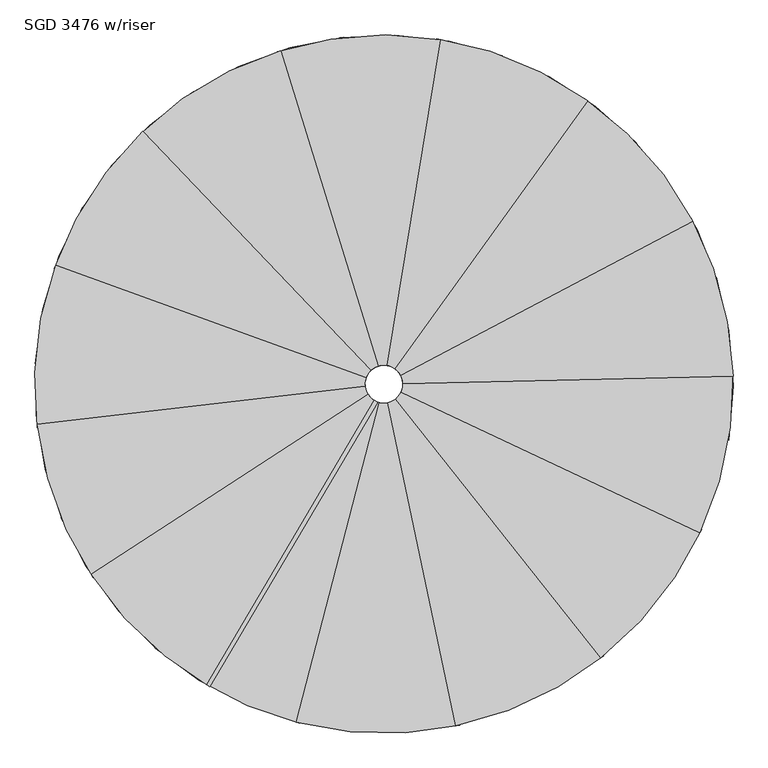
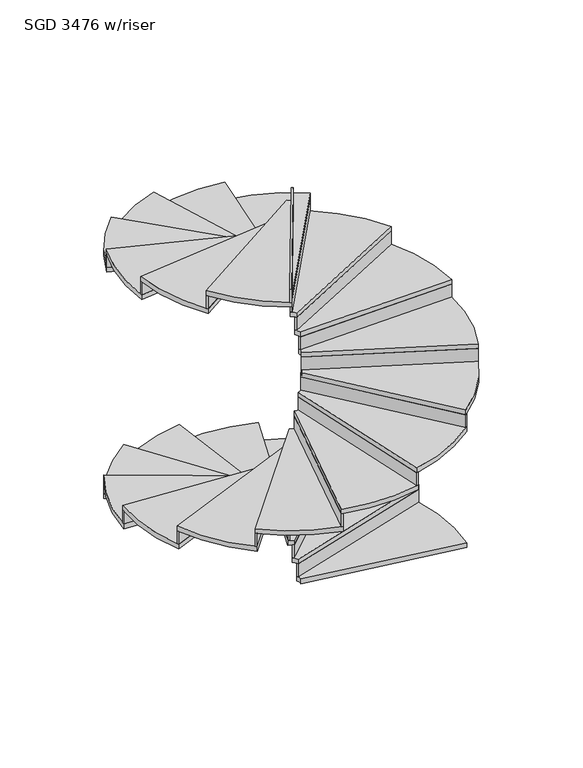
"""IFC4 building model written with IfcOpenShell, lengths in millimetres: stair flight geometry, SGD 3476 w/riser."""

from ifc_helpers import new_model, si_unit, point, frame, frame_2d, origin, place, context, project, spatial, polyline, circle_curve, trimmed, segment, composite_curve, outline, extrude, source, transform, mapped, element, save


def sgd_3476_w_riser_6065d927(model_context):
    return source(origin(), model_context, "Body", "SweptSolid", [
        extrude(outline(composite_curve([segment(polyline([(3636.6758202, -1031.0334126), (4685.707401, -705.6711049)]), True, "CONTINUOUS"), segment(trimmed(circle_curve(frame_2d((3581.4097537, -1061.261878)), 1160.1371004), [point((4685.707401, -705.6711049))], [point((4726.5078082, -1247.4567685))], False, "CARTESIAN"), True, "CONTINUOUS"), segment(polyline([(4726.5078082, -1247.4567685), (3643.5860099, -1071.371843)]), True, "CONTINUOUS"), segment(trimmed(circle_curve(frame_2d((3581.4097537, -1061.261878)), 62.9928427), [point((3643.5860099, -1071.371843))], [point((3636.6758202, -1031.0334126))], True, "CARTESIAN"), True, "CONTINUOUS")], self_intersect=False)), frame((0.0, 0.0, -4708.5154589), z_axis=(0.0, 0.0, 1.0), x_axis=(1.0, 0.0, 0.0)), (0.0, 0.0, 1.0), 35.0),
        extrude(outline(composite_curve([segment(trimmed(circle_curve(frame_2d((3581.4097537, -1061.261878)), 1160.1371004), [point((3003.534912, -2067.2334278))], [point((2992.7295266, -2060.9486699))], False, "CARTESIAN"), True, "CONTINUOUS"), segment(polyline([(2992.7295266, -2060.9486699), (3549.4457376, -1115.5426288)]), True, "CONTINUOUS"), segment(trimmed(circle_curve(frame_2d((3581.4097537, -1061.261878)), 62.9928427), [point((3549.4457376, -1115.5426288))], [point((3560.8525879, -1120.8059891))], True, "CARTESIAN"), True, "CONTINUOUS"), segment(polyline([(3560.8525879, -1120.8059891), (3003.534912, -2067.2334278)]), True, "CONTINUOUS")], self_intersect=False)), frame((0.0, 0.0, -1758.0371981), z_axis=(0.0, 0.0, 1.0), x_axis=(1.0, 0.0, 0.0)), (0.0, 0.0, 1.0), 97.5217391),
        extrude(outline(composite_curve([segment(trimmed(circle_curve(frame_2d((3581.4097537, -1061.261878)), 1160.1371004), [point((4685.707401, -705.6711049))], [point((4689.4746435, -717.590099))], False, "CARTESIAN"), True, "CONTINUOUS"), segment(polyline([(4689.4746435, -717.590099), (3641.5751921, -1042.6012711)]), True, "CONTINUOUS"), segment(trimmed(circle_curve(frame_2d((3581.4097537, -1061.261878)), 62.9928427), [point((3641.5751921, -1042.6012711))], [point((3636.6758202, -1031.0334126))], True, "CARTESIAN"), True, "CONTINUOUS"), segment(polyline([(3636.6758202, -1031.0334126), (4685.707401, -705.6711049)]), True, "CONTINUOUS")], self_intersect=False)), frame((0.0, 0.0, -4673.5154589), z_axis=(0.0, 0.0, 1.0), x_axis=(1.0, 0.0, 0.0)), (0.0, 0.0, 1.0), 97.5217391),
        extrude(outline(composite_curve([segment(polyline([(3617.4110709, -1009.5704533), (4411.4854085, -250.7728288)]), True, "CONTINUOUS"), segment(trimmed(circle_curve(frame_2d((3581.4097537, -1061.261878)), 1160.1371004), [point((4411.4854085, -250.7728288))], [point((4689.4746435, -717.590099))], False, "CARTESIAN"), True, "CONTINUOUS"), segment(polyline([(4689.4746435, -717.590099), (3641.5751921, -1042.6012711)]), True, "CONTINUOUS"), segment(trimmed(circle_curve(frame_2d((3581.4097537, -1061.261878)), 62.9928427), [point((3641.5751921, -1042.6012711))], [point((3617.4110709, -1009.5704533))], True, "CARTESIAN"), True, "CONTINUOUS")], self_intersect=False)), frame((0.0, 0.0, -4575.9937198), z_axis=(0.0, 0.0, 1.0), x_axis=(1.0, 0.0, 0.0)), (0.0, 0.0, 1.0), 35.0),
        extrude(outline(composite_curve([segment(trimmed(circle_curve(frame_2d((3581.4097537, -1061.261878)), 1160.1371004), [point((4411.4854085, -250.7728288))], [point((4420.1699108, -259.7635994))], False, "CARTESIAN"), True, "CONTINUOUS"), segment(polyline([(4420.1699108, -259.7635994), (3626.9525491, -1017.742319)]), True, "CONTINUOUS"), segment(trimmed(circle_curve(frame_2d((3581.4097537, -1061.261878)), 62.9928427), [point((3626.9525491, -1017.742319))], [point((3617.4110709, -1009.5704533))], True, "CARTESIAN"), True, "CONTINUOUS"), segment(polyline([(3617.4110709, -1009.5704533), (4411.4854085, -250.7728288)]), True, "CONTINUOUS")], self_intersect=False)), frame((0.0, 0.0, -4540.9937198), z_axis=(0.0, 0.0, 1.0), x_axis=(1.0, 0.0, 0.0)), (0.0, 0.0, 1.0), 97.5217391),
        extrude(outline(composite_curve([segment(polyline([(3590.5997577, -998.943004), (3963.2637021, 34.2314601)]), True, "CONTINUOUS"), segment(trimmed(circle_curve(frame_2d((3581.4097537, -1061.261878)), 1160.1371004), [point((3963.2637021, 34.2314601))], [point((4420.1699108, -259.7635994))], False, "CARTESIAN"), True, "CONTINUOUS"), segment(polyline([(4420.1699108, -259.7635994), (3626.9525491, -1017.742319)]), True, "CONTINUOUS"), segment(trimmed(circle_curve(frame_2d((3581.4097537, -1061.261878)), 62.9928427), [point((3626.9525491, -1017.742319))], [point((3590.5997577, -998.943004))], True, "CARTESIAN"), True, "CONTINUOUS")], self_intersect=False)), frame((0.0, 0.0, -4443.4719807), z_axis=(0.0, 0.0, 1.0), x_axis=(1.0, 0.0, 0.0)), (0.0, 0.0, 1.0), 35.0),
        extrude(outline(composite_curve([segment(trimmed(circle_curve(frame_2d((3581.4097537, -1061.261878)), 1160.1371004), [point((3963.2637021, 34.2314601))], [point((3975.0450265, 30.0535502))], False, "CARTESIAN"), True, "CONTINUOUS"), segment(polyline([(3975.0450265, 30.0535502), (3602.7832662, -1002.0058977)]), True, "CONTINUOUS"), segment(trimmed(circle_curve(frame_2d((3581.4097537, -1061.261878)), 62.9928427), [point((3602.7832662, -1002.0058977))], [point((3590.5997577, -998.943004))], True, "CARTESIAN"), True, "CONTINUOUS"), segment(polyline([(3590.5997577, -998.943004), (3963.2637021, 34.2314601)]), True, "CONTINUOUS")], self_intersect=False)), frame((0.0, 0.0, -4408.4719807), z_axis=(0.0, 0.0, 1.0), x_axis=(1.0, 0.0, 0.0)), (0.0, 0.0, 1.0), 97.5217391),
        extrude(outline(composite_curve([segment(polyline([(3561.8620442, -1001.3787812), (3434.9981136, 89.5994183)]), True, "CONTINUOUS"), segment(trimmed(circle_curve(frame_2d((3581.4097537, -1061.261878)), 1160.1371004), [point((3434.9981136, 89.5994183))], [point((3975.0450265, 30.0535502))], False, "CARTESIAN"), True, "CONTINUOUS"), segment(polyline([(3975.0450265, 30.0535502), (3602.7832662, -1002.0058977)]), True, "CONTINUOUS"), segment(trimmed(circle_curve(frame_2d((3581.4097537, -1061.261878)), 62.9928427), [point((3602.7832662, -1002.0058977))], [point((3561.8620442, -1001.3787812))], True, "CARTESIAN"), True, "CONTINUOUS")], self_intersect=False)), frame((0.0, 0.0, -4310.9502415), z_axis=(0.0, 0.0, 1.0), x_axis=(1.0, 0.0, 0.0)), (0.0, 0.0, 1.0), 35.0),
        extrude(outline(composite_curve([segment(trimmed(circle_curve(frame_2d((3581.4097537, -1061.261878)), 1160.1371004), [point((3434.9981136, 89.5994183))], [point((3447.4066695, 91.1101388))], False, "CARTESIAN"), True, "CONTINUOUS"), segment(polyline([(3447.4066695, 91.1101388), (3574.1336867, -998.6906619)]), True, "CONTINUOUS"), segment(trimmed(circle_curve(frame_2d((3581.4097537, -1061.261878)), 62.9928427), [point((3574.1336867, -998.6906619))], [point((3561.8620442, -1001.3787812))], True, "CARTESIAN"), True, "CONTINUOUS"), segment(polyline([(3561.8620442, -1001.3787812), (3434.9981136, 89.5994183)]), True, "CONTINUOUS")], self_intersect=False)), frame((0.0, 0.0, -4275.9502415), z_axis=(0.0, 0.0, 1.0), x_axis=(1.0, 0.0, 0.0)), (0.0, 0.0, 1.0), 97.5217391),
        extrude(outline(composite_curve([segment(polyline([(3537.2219039, -1016.3671994), (2937.4232018, -96.2751357)]), True, "CONTINUOUS"), segment(trimmed(circle_curve(frame_2d((3581.4097537, -1061.261878)), 1160.1371004), [point((2937.4232018, -96.2751357))], [point((3447.4066695, 91.1101388))], False, "CARTESIAN"), True, "CONTINUOUS"), segment(polyline([(3447.4066695, 91.1101388), (3574.1336867, -998.6906619)]), True, "CONTINUOUS"), segment(trimmed(circle_curve(frame_2d((3581.4097537, -1061.261878)), 62.9928427), [point((3574.1336867, -998.6906619))], [point((3537.2219039, -1016.3671994))], True, "CARTESIAN"), True, "CONTINUOUS")], self_intersect=False)), frame((0.0, 0.0, -4178.4285024), z_axis=(0.0, 0.0, 1.0), x_axis=(1.0, 0.0, 0.0)), (0.0, 0.0, 1.0), 35.0),
        extrude(outline(composite_curve([segment(trimmed(circle_curve(frame_2d((3581.4097537, -1061.261878)), 1160.1371004), [point((2937.4232018, -96.2751357))], [point((2947.8579188, -89.3924607))], False, "CARTESIAN"), True, "CONTINUOUS"), segment(polyline([(2947.8579188, -89.3924607), (3547.0093099, -1008.4915482)]), True, "CONTINUOUS"), segment(trimmed(circle_curve(frame_2d((3581.4097537, -1061.261878)), 62.9928427), [point((3547.0093099, -1008.4915482))], [point((3537.2219039, -1016.3671994))], True, "CARTESIAN"), True, "CONTINUOUS"), segment(polyline([(3537.2219039, -1016.3671994), (2937.4232018, -96.2751357)]), True, "CONTINUOUS")], self_intersect=False)), frame((0.0, 0.0, -4143.4285024), z_axis=(0.0, 0.0, 1.0), x_axis=(1.0, 0.0, 0.0)), (0.0, 0.0, 1.0), 97.5217391),
        extrude(outline(composite_curve([segment(polyline([(3521.8443811, -1040.7663998), (2574.8401731, -484.4293449)]), True, "CONTINUOUS"), segment(trimmed(circle_curve(frame_2d((3581.4097537, -1061.261878)), 1160.1371004), [point((2574.8401731, -484.4293449))], [point((2947.8579188, -89.3924607))], False, "CARTESIAN"), True, "CONTINUOUS"), segment(polyline([(2947.8579188, -89.3924607), (3547.0093099, -1008.4915482)]), True, "CONTINUOUS"), segment(trimmed(circle_curve(frame_2d((3581.4097537, -1061.261878)), 62.9928427), [point((3547.0093099, -1008.4915482))], [point((3521.8443811, -1040.7663998))], True, "CARTESIAN"), True, "CONTINUOUS")], self_intersect=False)), frame((0.0, 0.0, -4045.9067633), z_axis=(0.0, 0.0, 1.0), x_axis=(1.0, 0.0, 0.0)), (0.0, 0.0, 1.0), 35.0),
        extrude(outline(composite_curve([segment(trimmed(circle_curve(frame_2d((3581.4097537, -1061.261878)), 1160.1371004), [point((2574.8401731, -484.4293449))], [point((2581.1137353, -473.6174555))], False, "CARTESIAN"), True, "CONTINUOUS"), segment(polyline([(2581.1137353, -473.6174555), (3527.0959232, -1029.3541038)]), True, "CONTINUOUS"), segment(trimmed(circle_curve(frame_2d((3581.4097537, -1061.261878)), 62.9928427), [point((3527.0959232, -1029.3541038))], [point((3521.8443811, -1040.7663998))], True, "CARTESIAN"), True, "CONTINUOUS"), segment(polyline([(3521.8443811, -1040.7663998), (2574.8401731, -484.4293449)]), True, "CONTINUOUS")], self_intersect=False)), frame((0.0, 0.0, -4010.9067633), z_axis=(0.0, 0.0, 1.0), x_axis=(1.0, 0.0, 0.0)), (0.0, 0.0, 1.0), 97.5217391),
        extrude(outline(composite_curve([segment(polyline([(3518.9528982, -1069.461844), (2423.2533568, -993.4986721)]), True, "CONTINUOUS"), segment(trimmed(circle_curve(frame_2d((3581.4097537, -1061.261878)), 1160.1371004), [point((2423.2533568, -993.4986721))], [point((2581.1137353, -473.6174555))], False, "CARTESIAN"), True, "CONTINUOUS"), segment(polyline([(2581.1137353, -473.6174555), (3527.0959232, -1029.3541038)]), True, "CONTINUOUS"), segment(trimmed(circle_curve(frame_2d((3581.4097537, -1061.261878)), 62.9928427), [point((3527.0959232, -1029.3541038))], [point((3518.9528982, -1069.461844))], True, "CARTESIAN"), True, "CONTINUOUS")], self_intersect=False)), frame((0.0, 0.0, -3913.3850242), z_axis=(0.0, 0.0, 1.0), x_axis=(1.0, 0.0, 0.0)), (0.0, 0.0, 1.0), 35.0),
        extrude(outline(composite_curve([segment(trimmed(circle_curve(frame_2d((3581.4097537, -1061.261878)), 1160.1371004), [point((2423.2533568, -993.4986721))], [point((2424.0507056, -981.0239469))], False, "CARTESIAN"), True, "CONTINUOUS"), segment(polyline([(2424.0507056, -981.0239469), (3518.567753, -1056.9051383)]), True, "CONTINUOUS"), segment(trimmed(circle_curve(frame_2d((3581.4097537, -1061.261878)), 62.9928427), [point((3518.567753, -1056.9051383))], [point((3518.9528982, -1069.461844))], True, "CARTESIAN"), True, "CONTINUOUS"), segment(polyline([(3518.9528982, -1069.461844), (2423.2533568, -993.4986721)]), True, "CONTINUOUS")], self_intersect=False)), frame((0.0, 0.0, -3878.3850242), z_axis=(0.0, 0.0, 1.0), x_axis=(1.0, 0.0, 0.0)), (0.0, 0.0, 1.0), 97.5217391),
        extrude(outline(composite_curve([segment(polyline([(3529.1535654, -1096.4384187), (2514.4382452, -1516.7724617)]), True, "CONTINUOUS"), segment(trimmed(circle_curve(frame_2d((3581.4097537, -1061.261878)), 1160.1371004), [point((2514.4382452, -1516.7724617))], [point((2424.0507056, -981.0239469))], False, "CARTESIAN"), True, "CONTINUOUS"), segment(polyline([(2424.0507056, -981.0239469), (3518.567753, -1056.9051383)]), True, "CONTINUOUS"), segment(trimmed(circle_curve(frame_2d((3581.4097537, -1061.261878)), 62.9928427), [point((3518.567753, -1056.9051383))], [point((3529.1535654, -1096.4384187))], True, "CARTESIAN"), True, "CONTINUOUS")], self_intersect=False)), frame((0.0, 0.0, -3780.863285), z_axis=(0.0, 0.0, 1.0), x_axis=(1.0, 0.0, 0.0)), (0.0, 0.0, 1.0), 35.0),
        extrude(outline(composite_curve([segment(trimmed(circle_curve(frame_2d((3581.4097537, -1061.261878)), 1160.1371004), [point((2514.4382452, -1516.7724617))], [point((2509.5922412, -1505.2498414))], False, "CARTESIAN"), True, "CONTINUOUS"), segment(polyline([(2509.5922412, -1505.2498414), (3523.2124665, -1085.3694287)]), True, "CONTINUOUS"), segment(trimmed(circle_curve(frame_2d((3581.4097537, -1061.261878)), 62.9928427), [point((3523.2124665, -1085.3694287))], [point((3529.1535654, -1096.4384187))], True, "CARTESIAN"), True, "CONTINUOUS"), segment(polyline([(3529.1535654, -1096.4384187), (2514.4382452, -1516.7724617)]), True, "CONTINUOUS")], self_intersect=False)), frame((0.0, 0.0, -3745.863285), z_axis=(0.0, 0.0, 1.0), x_axis=(1.0, 0.0, 0.0)), (0.0, 0.0, 1.0), 97.5217391),
        extrude(outline(composite_curve([segment(polyline([(3550.3081278, -1116.0413185), (2829.2807439, -1944.5625315)]), True, "CONTINUOUS"), segment(trimmed(circle_curve(frame_2d((3581.4097537, -1061.261878)), 1160.1371004), [point((2829.2807439, -1944.5625315))], [point((2509.5922412, -1505.2498414))], False, "CARTESIAN"), True, "CONTINUOUS"), segment(polyline([(2509.5922412, -1505.2498414), (3523.2124665, -1085.3694287)]), True, "CONTINUOUS"), segment(trimmed(circle_curve(frame_2d((3581.4097537, -1061.261878)), 62.9928427), [point((3523.2124665, -1085.3694287))], [point((3550.3081278, -1116.0413185))], True, "CARTESIAN"), True, "CONTINUOUS")], self_intersect=False)), frame((0.0, 0.0, -3648.3415459), z_axis=(0.0, 0.0, 1.0), x_axis=(1.0, 0.0, 0.0)), (0.0, 0.0, 1.0), 35.0),
        extrude(outline(composite_curve([segment(trimmed(circle_curve(frame_2d((3581.4097537, -1061.261878)), 1160.1371004), [point((2829.2807439, -1944.5625315))], [point((2819.807202, -1936.4073773))], False, "CARTESIAN"), True, "CONTINUOUS"), segment(polyline([(2819.807202, -1936.4073773), (3540.0564432, -1108.7803159)]), True, "CONTINUOUS"), segment(trimmed(circle_curve(frame_2d((3581.4097537, -1061.261878)), 62.9928427), [point((3540.0564432, -1108.7803159))], [point((3550.3081278, -1116.0413185))], True, "CARTESIAN"), True, "CONTINUOUS"), segment(polyline([(3550.3081278, -1116.0413185), (2829.2807439, -1944.5625315)]), True, "CONTINUOUS")], self_intersect=False)), frame((0.0, 0.0, -3613.3415459), z_axis=(0.0, 0.0, 1.0), x_axis=(1.0, 0.0, 0.0)), (0.0, 0.0, 1.0), 97.5217391),
        extrude(outline(composite_curve([segment(polyline([(3577.9821851, -1124.1614011), (3301.7838508, -2187.1959108)]), True, "CONTINUOUS"), segment(trimmed(circle_curve(frame_2d((3581.4097537, -1061.261878)), 1160.1371004), [point((3301.7838508, -2187.1959108))], [point((2819.807202, -1936.4073773))], False, "CARTESIAN"), True, "CONTINUOUS"), segment(polyline([(2819.807202, -1936.4073773), (3540.0564432, -1108.7803159)]), True, "CONTINUOUS"), segment(trimmed(circle_curve(frame_2d((3581.4097537, -1061.261878)), 62.9928427), [point((3540.0564432, -1108.7803159))], [point((3577.9821851, -1124.1614011))], True, "CARTESIAN"), True, "CONTINUOUS")], self_intersect=False)), frame((0.0, 0.0, -3515.8198068), z_axis=(0.0, 0.0, 1.0), x_axis=(1.0, 0.0, 0.0)), (0.0, 0.0, 1.0), 35.0),
        extrude(outline(composite_curve([segment(trimmed(circle_curve(frame_2d((3581.4097537, -1061.261878)), 1160.1371004), [point((3301.7838508, -2187.1959108))], [point((3289.6686064, -2184.117699))], False, "CARTESIAN"), True, "CONTINUOUS"), segment(polyline([(3289.6686064, -2184.117699), (3565.5688637, -1122.2304308)]), True, "CONTINUOUS"), segment(trimmed(circle_curve(frame_2d((3581.4097537, -1061.261878)), 62.9928427), [point((3565.5688637, -1122.2304308))], [point((3577.9821851, -1124.1614011))], True, "CARTESIAN"), True, "CONTINUOUS"), segment(polyline([(3577.9821851, -1124.1614011), (3301.7838508, -2187.1959108)]), True, "CONTINUOUS")], self_intersect=False)), frame((0.0, 0.0, -3480.8198068), z_axis=(0.0, 0.0, 1.0), x_axis=(1.0, 0.0, 0.0)), (0.0, 0.0, 1.0), 97.5217391),
        extrude(outline(composite_curve([segment(polyline([(3606.3747263, -1119.0965421), (3832.9018886, -2193.8120083)]), True, "CONTINUOUS"), segment(trimmed(circle_curve(frame_2d((3581.4097537, -1061.261878)), 1160.1371004), [point((3832.9018886, -2193.8120083))], [point((3289.6686064, -2184.117699))], False, "CARTESIAN"), True, "CONTINUOUS"), segment(polyline([(3289.6686064, -2184.117699), (3565.5688637, -1122.2304308)]), True, "CONTINUOUS"), segment(trimmed(circle_curve(frame_2d((3581.4097537, -1061.261878)), 62.9928427), [point((3565.5688637, -1122.2304308))], [point((3606.3747263, -1119.0965421))], True, "CARTESIAN"), True, "CONTINUOUS")], self_intersect=False)), frame((0.0, 0.0, -3383.2980676), z_axis=(0.0, 0.0, 1.0), x_axis=(1.0, 0.0, 0.0)), (0.0, 0.0, 1.0), 35.0),
        extrude(outline(composite_curve([segment(trimmed(circle_curve(frame_2d((3581.4097537, -1061.261878)), 1160.1371004), [point((3832.9018886, -2193.8120083))], [point((3820.6845283, -2196.4559909))], False, "CARTESIAN"), True, "CONTINUOUS"), segment(polyline([(3820.6845283, -2196.4559909), (3594.4018373, -1122.9003724)]), True, "CONTINUOUS"), segment(trimmed(circle_curve(frame_2d((3581.4097537, -1061.261878)), 62.9928427), [point((3594.4018373, -1122.9003724))], [point((3606.3747263, -1119.0965421))], True, "CARTESIAN"), True, "CONTINUOUS"), segment(polyline([(3606.3747263, -1119.0965421), (3832.9018886, -2193.8120083)]), True, "CONTINUOUS")], self_intersect=False)), frame((0.0, 0.0, -3348.2980676), z_axis=(0.0, 0.0, 1.0), x_axis=(1.0, 0.0, 0.0)), (0.0, 0.0, 1.0), 97.5217391),
        extrude(outline(composite_curve([segment(polyline([(3629.5341323, -1101.9084327), (4311.3023707, -1963.0239638)]), True, "CONTINUOUS"), segment(trimmed(circle_curve(frame_2d((3581.4097537, -1061.261878)), 1160.1371004), [point((4311.3023707, -1963.0239638))], [point((3820.6845283, -2196.4559909))], False, "CARTESIAN"), True, "CONTINUOUS"), segment(polyline([(3820.6845283, -2196.4559909), (3594.4018373, -1122.9003724)]), True, "CONTINUOUS"), segment(trimmed(circle_curve(frame_2d((3581.4097537, -1061.261878)), 62.9928427), [point((3594.4018373, -1122.9003724))], [point((3629.5341323, -1101.9084327))], True, "CARTESIAN"), True, "CONTINUOUS")], self_intersect=False)), frame((0.0, 0.0, -3250.7763285), z_axis=(0.0, 0.0, 1.0), x_axis=(1.0, 0.0, 0.0)), (0.0, 0.0, 1.0), 35.0),
        extrude(outline(composite_curve([segment(trimmed(circle_curve(frame_2d((3581.4097537, -1061.261878)), 1160.1371004), [point((4311.3023707, -1963.0239638))], [point((4301.5438867, -1970.8359114))], False, "CARTESIAN"), True, "CONTINUOUS"), segment(polyline([(4301.5438867, -1970.8359114), (3620.511422, -1110.6497081)]), True, "CONTINUOUS"), segment(trimmed(circle_curve(frame_2d((3581.4097537, -1061.261878)), 62.9928427), [point((3620.511422, -1110.6497081))], [point((3629.5341323, -1101.9084327))], True, "CARTESIAN"), True, "CONTINUOUS"), segment(polyline([(3629.5341323, -1101.9084327), (4311.3023707, -1963.0239638)]), True, "CONTINUOUS")], self_intersect=False)), frame((0.0, 0.0, -3215.7763285), z_axis=(0.0, 0.0, 1.0), x_axis=(1.0, 0.0, 0.0)), (0.0, 0.0, 1.0), 97.5217391),
        extrude(outline(composite_curve([segment(polyline([(3642.6057493, -1076.200029), (4636.7034173, -1543.2093599)]), True, "CONTINUOUS"), segment(trimmed(circle_curve(frame_2d((3581.4097537, -1061.261878)), 1160.1371004), [point((4636.7034173, -1543.2093599))], [point((4301.5438867, -1970.8359114))], False, "CARTESIAN"), True, "CONTINUOUS"), segment(polyline([(4301.5438867, -1970.8359114), (3620.511422, -1110.6497081)]), True, "CONTINUOUS"), segment(trimmed(circle_curve(frame_2d((3581.4097537, -1061.261878)), 62.9928427), [point((3620.511422, -1110.6497081))], [point((3642.6057493, -1076.200029))], True, "CARTESIAN"), True, "CONTINUOUS")], self_intersect=False)), frame((0.0, 0.0, -3118.2545894), z_axis=(0.0, 0.0, 1.0), x_axis=(1.0, 0.0, 0.0)), (0.0, 0.0, 1.0), 35.0),
        extrude(outline(composite_curve([segment(trimmed(circle_curve(frame_2d((3581.4097537, -1061.261878)), 1160.1371004), [point((4636.7034173, -1543.2093599))], [point((4631.4493742, -1554.5517391))], False, "CARTESIAN"), True, "CONTINUOUS"), segment(polyline([(4631.4493742, -1554.5517391), (3638.4245501, -1088.0464111)]), True, "CONTINUOUS"), segment(trimmed(circle_curve(frame_2d((3581.4097537, -1061.261878)), 62.9928427), [point((3638.4245501, -1088.0464111))], [point((3642.6057493, -1076.200029))], True, "CARTESIAN"), True, "CONTINUOUS"), segment(polyline([(3642.6057493, -1076.200029), (4636.7034173, -1543.2093599)]), True, "CONTINUOUS")], self_intersect=False)), frame((0.0, 0.0, -3083.2545894), z_axis=(0.0, 0.0, 1.0), x_axis=(1.0, 0.0, 0.0)), (0.0, 0.0, 1.0), 97.5217391),
        extrude(outline(composite_curve([segment(polyline([(3642.8495165, -1047.3603035), (4740.8947529, -1022.3693572)]), True, "CONTINUOUS"), segment(trimmed(circle_curve(frame_2d((3581.4097537, -1061.261878)), 1160.1371004), [point((4740.8947529, -1022.3693572))], [point((4631.4493742, -1554.5517391))], False, "CARTESIAN"), True, "CONTINUOUS"), segment(polyline([(4631.4493742, -1554.5517391), (3638.4245501, -1088.0464111)]), True, "CONTINUOUS"), segment(trimmed(circle_curve(frame_2d((3581.4097537, -1061.261878)), 62.9928427), [point((3638.4245501, -1088.0464111))], [point((3642.8495165, -1047.3603035))], True, "CARTESIAN"), True, "CONTINUOUS")], self_intersect=False)), frame((0.0, 0.0, -2985.7328502), z_axis=(0.0, 0.0, 1.0), x_axis=(1.0, 0.0, 0.0)), (0.0, 0.0, 1.0), 35.0),
        extrude(outline(composite_curve([segment(trimmed(circle_curve(frame_2d((3581.4097537, -1061.261878)), 1160.1371004), [point((4740.8947529, -1022.3693572))], [point((4741.2464986, -1034.8645887))], False, "CARTESIAN"), True, "CONTINUOUS"), segment(polyline([(4741.2464986, -1034.8645887), (3644.3862877, -1059.8285644)]), True, "CONTINUOUS"), segment(trimmed(circle_curve(frame_2d((3581.4097537, -1061.261878)), 62.9928427), [point((3644.3862877, -1059.8285644))], [point((3642.8495165, -1047.3603035))], True, "CARTESIAN"), True, "CONTINUOUS"), segment(polyline([(3642.8495165, -1047.3603035), (4740.8947529, -1022.3693572)]), True, "CONTINUOUS")], self_intersect=False)), frame((0.0, 0.0, -2950.7328502), z_axis=(0.0, 0.0, 1.0), x_axis=(1.0, 0.0, 0.0)), (0.0, 0.0, 1.0), 97.5217391),
        extrude(outline(composite_curve([segment(polyline([(3630.2143358, -1021.4346135), (4602.0358834, -509.6819699)]), True, "CONTINUOUS"), segment(trimmed(circle_curve(frame_2d((3581.4097537, -1061.261878)), 1160.1371004), [point((4602.0358834, -509.6819699))], [point((4741.2464986, -1034.8645887))], False, "CARTESIAN"), True, "CONTINUOUS"), segment(polyline([(4741.2464986, -1034.8645887), (3644.3862877, -1059.8285644)]), True, "CONTINUOUS"), segment(trimmed(circle_curve(frame_2d((3581.4097537, -1061.261878)), 62.9928427), [point((3644.3862877, -1059.8285644))], [point((3630.2143358, -1021.4346135))], True, "CARTESIAN"), True, "CONTINUOUS")], self_intersect=False)), frame((0.0, 0.0, -2853.2111111), z_axis=(0.0, 0.0, 1.0), x_axis=(1.0, 0.0, 0.0)), (0.0, 0.0, 1.0), 35.0),
        extrude(outline(composite_curve([segment(trimmed(circle_curve(frame_2d((3581.4097537, -1061.261878)), 1160.1371004), [point((4602.0358834, -509.6819699))], [point((4607.9196851, -520.7108145))], False, "CARTESIAN"), True, "CONTINUOUS"), segment(polyline([(4607.9196851, -520.7108145), (3637.1469408, -1031.9111675)]), True, "CONTINUOUS"), segment(trimmed(circle_curve(frame_2d((3581.4097537, -1061.261878)), 62.9928427), [point((3637.1469408, -1031.9111675))], [point((3630.2143358, -1021.4346135))], True, "CARTESIAN"), True, "CONTINUOUS"), segment(polyline([(3630.2143358, -1021.4346135), (4602.0358834, -509.6819699)]), True, "CONTINUOUS")], self_intersect=False)), frame((0.0, 0.0, -2818.2111111), z_axis=(0.0, 0.0, 1.0), x_axis=(1.0, 0.0, 0.0)), (0.0, 0.0, 1.0), 97.5217391),
        extrude(outline(composite_curve([segment(polyline([(3607.3487824, -1003.857479), (4249.2342803, -112.616268)]), True, "CONTINUOUS"), segment(trimmed(circle_curve(frame_2d((3581.4097537, -1061.261878)), 1160.1371004), [point((4249.2342803, -112.616268))], [point((4607.9196851, -520.7108145))], False, "CARTESIAN"), True, "CONTINUOUS"), segment(polyline([(4607.9196851, -520.7108145), (3637.1469408, -1031.9111675)]), True, "CONTINUOUS"), segment(trimmed(circle_curve(frame_2d((3581.4097537, -1061.261878)), 62.9928427), [point((3637.1469408, -1031.9111675))], [point((3607.3487824, -1003.857479))], True, "CARTESIAN"), True, "CONTINUOUS")], self_intersect=False)), frame((0.0, 0.0, -2720.689372), z_axis=(0.0, 0.0, 1.0), x_axis=(1.0, 0.0, 0.0)), (0.0, 0.0, 1.0), 35.0),
        extrude(outline(composite_curve([segment(trimmed(circle_curve(frame_2d((3581.4097537, -1061.261878)), 1160.1371004), [point((4249.2342803, -112.616268))], [point((4259.4167809, -119.8668691))], False, "CARTESIAN"), True, "CONTINUOUS"), segment(polyline([(4259.4167809, -119.8668691), (3618.2240147, -1010.1462403)]), True, "CONTINUOUS"), segment(trimmed(circle_curve(frame_2d((3581.4097537, -1061.261878)), 62.9928427), [point((3618.2240147, -1010.1462403))], [point((3607.3487824, -1003.857479))], True, "CARTESIAN"), True, "CONTINUOUS"), segment(polyline([(3607.3487824, -1003.857479), (4249.2342803, -112.616268)]), True, "CONTINUOUS")], self_intersect=False)), frame((0.0, 0.0, -2685.689372), z_axis=(0.0, 0.0, 1.0), x_axis=(1.0, 0.0, 0.0)), (0.0, 0.0, 1.0), 97.5217391),
        extrude(outline(composite_curve([segment(polyline([(3579.045913, -998.3134031), (3756.4438991, 85.5951923)]), True, "CONTINUOUS"), segment(trimmed(circle_curve(frame_2d((3581.4097537, -1061.261878)), 1160.1371004), [point((3756.4438991, 85.5951923))], [point((4259.4167809, -119.8668691))], False, "CARTESIAN"), True, "CONTINUOUS"), segment(polyline([(4259.4167809, -119.8668691), (3618.2240147, -1010.1462403)]), True, "CONTINUOUS"), segment(trimmed(circle_curve(frame_2d((3581.4097537, -1061.261878)), 62.9928427), [point((3618.2240147, -1010.1462403))], [point((3579.045913, -998.3134031))], True, "CARTESIAN"), True, "CONTINUOUS")], self_intersect=False)), frame((0.0, 0.0, -2588.1676329), z_axis=(0.0, 0.0, 1.0), x_axis=(1.0, 0.0, 0.0)), (0.0, 0.0, 1.0), 35.0),
        extrude(outline(composite_curve([segment(trimmed(circle_curve(frame_2d((3581.4097537, -1061.261878)), 1160.1371004), [point((3756.4438991, 85.5951923))], [point((3768.790652, 83.6426991))], False, "CARTESIAN"), True, "CONTINUOUS"), segment(polyline([(3768.790652, 83.6426991), (3591.5841162, -999.0961271)]), True, "CONTINUOUS"), segment(trimmed(circle_curve(frame_2d((3581.4097537, -1061.261878)), 62.9928427), [point((3591.5841162, -999.0961271))], [point((3579.045913, -998.3134031))], True, "CARTESIAN"), True, "CONTINUOUS"), segment(polyline([(3579.045913, -998.3134031), (3756.4438991, 85.5951923)]), True, "CONTINUOUS")], self_intersect=False)), frame((0.0, 0.0, -2553.1676329), z_axis=(0.0, 0.0, 1.0), x_axis=(1.0, 0.0, 0.0)), (0.0, 0.0, 1.0), 97.5217391),
        extrude(outline(composite_curve([segment(polyline([(3551.2385498, -1005.96453), (3226.9630174, 43.4035025)]), True, "CONTINUOUS"), segment(trimmed(circle_curve(frame_2d((3581.4097537, -1061.261878)), 1160.1371004), [point((3226.9630174, 43.4035025))], [point((3768.790652, 83.6426991))], False, "CARTESIAN"), True, "CONTINUOUS"), segment(polyline([(3768.790652, 83.6426991), (3591.5841162, -999.0961271)]), True, "CONTINUOUS"), segment(trimmed(circle_curve(frame_2d((3581.4097537, -1061.261878)), 62.9928427), [point((3591.5841162, -999.0961271))], [point((3551.2385498, -1005.96453))], True, "CARTESIAN"), True, "CONTINUOUS")], self_intersect=False)), frame((0.0, 0.0, -2455.6458937), z_axis=(0.0, 0.0, 1.0), x_axis=(1.0, 0.0, 0.0)), (0.0, 0.0, 1.0), 35.0),
        extrude(outline(composite_curve([segment(trimmed(circle_curve(frame_2d((3581.4097537, -1061.261878)), 1160.1371004), [point((3226.9630174, 43.4035025))], [point((3238.8859072, 47.1583972))], False, "CARTESIAN"), True, "CONTINUOUS"), segment(polyline([(3238.8859072, 47.1583972), (3562.811477, -1001.0771429)]), True, "CONTINUOUS"), segment(trimmed(circle_curve(frame_2d((3581.4097537, -1061.261878)), 62.9928427), [point((3562.811477, -1001.0771429))], [point((3551.2385498, -1005.96453))], True, "CARTESIAN"), True, "CONTINUOUS"), segment(polyline([(3551.2385498, -1005.96453), (3226.9630174, 43.4035025)]), True, "CONTINUOUS")], self_intersect=False)), frame((0.0, 0.0, -2420.6458937), z_axis=(0.0, 0.0, 1.0), x_axis=(1.0, 0.0, 0.0)), (0.0, 0.0, 1.0), 97.5217391),
        extrude(outline(composite_curve([segment(polyline([(3529.7556473, -1025.2070374), (2771.7809425, -230.3471532)]), True, "CONTINUOUS"), segment(trimmed(circle_curve(frame_2d((3581.4097537, -1061.261878)), 1160.1371004), [point((2771.7809425, -230.3471532))], [point((3238.8859072, 47.1583972))], False, "CARTESIAN"), True, "CONTINUOUS"), segment(polyline([(3238.8859072, 47.1583972), (3562.811477, -1001.0771429)]), True, "CONTINUOUS"), segment(trimmed(circle_curve(frame_2d((3581.4097537, -1061.261878)), 62.9928427), [point((3562.811477, -1001.0771429))], [point((3529.7556473, -1025.2070374))], True, "CARTESIAN"), True, "CONTINUOUS")], self_intersect=False)), frame((0.0, 0.0, -2323.1241546), z_axis=(0.0, 0.0, 1.0), x_axis=(1.0, 0.0, 0.0)), (0.0, 0.0, 1.0), 35.0),
        extrude(outline(composite_curve([segment(trimmed(circle_curve(frame_2d((3581.4097537, -1061.261878)), 1160.1371004), [point((2771.7809425, -230.3471532))], [point((2780.7807039, -221.6719684))], False, "CARTESIAN"), True, "CONTINUOUS"), segment(polyline([(2780.7807039, -221.6719684), (3537.9373918, -1015.6740288)]), True, "CONTINUOUS"), segment(trimmed(circle_curve(frame_2d((3581.4097537, -1061.261878)), 62.9928427), [point((3537.9373918, -1015.6740288))], [point((3529.7556473, -1025.2070374))], True, "CARTESIAN"), True, "CONTINUOUS"), segment(polyline([(3529.7556473, -1025.2070374), (2771.7809425, -230.3471532)]), True, "CONTINUOUS")], self_intersect=False)), frame((0.0, 0.0, -2288.1241546), z_axis=(0.0, 0.0, 1.0), x_axis=(1.0, 0.0, 0.0)), (0.0, 0.0, 1.0), 97.5217391),
        extrude(outline(composite_curve([segment(polyline([(3519.1004322, -1052.0073281), (2486.3125326, -678.2734079)]), True, "CONTINUOUS"), segment(trimmed(circle_curve(frame_2d((3581.4097537, -1061.261878)), 1160.1371004), [point((2486.3125326, -678.2734079))], [point((2780.7807039, -221.6719684))], False, "CARTESIAN"), True, "CONTINUOUS"), segment(polyline([(2780.7807039, -221.6719684), (3537.9373918, -1015.6740288)]), True, "CONTINUOUS"), segment(trimmed(circle_curve(frame_2d((3581.4097537, -1061.261878)), 62.9928427), [point((3537.9373918, -1015.6740288))], [point((3519.1004322, -1052.0073281))], True, "CARTESIAN"), True, "CONTINUOUS")], self_intersect=False)), frame((0.0, 0.0, -2190.6024155), z_axis=(0.0, 0.0, 1.0), x_axis=(1.0, 0.0, 0.0)), (0.0, 0.0, 1.0), 35.0),
        extrude(outline(composite_curve([segment(trimmed(circle_curve(frame_2d((3581.4097537, -1061.261878)), 1160.1371004), [point((2486.3125326, -678.2734079))], [point((2490.5026436, -666.4964174))], False, "CARTESIAN"), True, "CONTINUOUS"), segment(polyline([(2490.5026436, -666.4964174), (3522.1759442, -1039.8269988)]), True, "CONTINUOUS"), segment(trimmed(circle_curve(frame_2d((3581.4097537, -1061.261878)), 62.9928427), [point((3522.1759442, -1039.8269988))], [point((3519.1004322, -1052.0073281))], True, "CARTESIAN"), True, "CONTINUOUS"), segment(polyline([(3519.1004322, -1052.0073281), (2486.3125326, -678.2734079)]), True, "CONTINUOUS")], self_intersect=False)), frame((0.0, 0.0, -2155.6024155), z_axis=(0.0, 0.0, 1.0), x_axis=(1.0, 0.0, 0.0)), (0.0, 0.0, 1.0), 97.5217391),
        extrude(outline(composite_curve([segment(polyline([(3521.5064412, -1080.7475493), (2430.3974196, -1206.4813622)]), True, "CONTINUOUS"), segment(trimmed(circle_curve(frame_2d((3581.4097537, -1061.261878)), 1160.1371004), [point((2430.3974196, -1206.4813622))], [point((2490.5026436, -666.4964174))], False, "CARTESIAN"), True, "CONTINUOUS"), segment(polyline([(2490.5026436, -666.4964174), (3522.1759442, -1039.8269988)]), True, "CONTINUOUS"), segment(trimmed(circle_curve(frame_2d((3581.4097537, -1061.261878)), 62.9928427), [point((3522.1759442, -1039.8269988))], [point((3521.5064412, -1080.7475493))], True, "CARTESIAN"), True, "CONTINUOUS")], self_intersect=False)), frame((0.0, 0.0, -2058.0806763), z_axis=(0.0, 0.0, 1.0), x_axis=(1.0, 0.0, 0.0)), (0.0, 0.0, 1.0), 35.0),
        extrude(outline(composite_curve([segment(trimmed(circle_curve(frame_2d((3581.4097537, -1061.261878)), 1160.1371004), [point((2430.3974196, -1206.4813622))], [point((2428.8995529, -1194.0712481))], False, "CARTESIAN"), True, "CONTINUOUS"), segment(polyline([(2428.8995529, -1194.0712481), (3518.8310345, -1068.4731289)]), True, "CONTINUOUS"), segment(trimmed(circle_curve(frame_2d((3581.4097537, -1061.261878)), 62.9928427), [point((3518.8310345, -1068.4731289))], [point((3521.5064412, -1080.7475493))], True, "CARTESIAN"), True, "CONTINUOUS"), segment(polyline([(3521.5064412, -1080.7475493), (2430.3974196, -1206.4813622)]), True, "CONTINUOUS")], self_intersect=False)), frame((0.0, 0.0, -2023.0806763), z_axis=(0.0, 0.0, 1.0), x_axis=(1.0, 0.0, 0.0)), (0.0, 0.0, 1.0), 97.5217391),
        extrude(outline(composite_curve([segment(polyline([(3536.4693288, -1105.4032015), (2615.7564793, -1704.2485384)]), True, "CONTINUOUS"), segment(trimmed(circle_curve(frame_2d((3581.4097537, -1061.261878)), 1160.1371004), [point((2615.7564793, -1704.2485384))], [point((2428.8995529, -1194.0712481))], False, "CARTESIAN"), True, "CONTINUOUS"), segment(polyline([(2428.8995529, -1194.0712481), (3518.8310345, -1068.4731289)]), True, "CONTINUOUS"), segment(trimmed(circle_curve(frame_2d((3581.4097537, -1061.261878)), 62.9928427), [point((3518.8310345, -1068.4731289))], [point((3536.4693288, -1105.4032015))], True, "CARTESIAN"), True, "CONTINUOUS")], self_intersect=False)), frame((0.0, 0.0, -1925.5589372), z_axis=(0.0, 0.0, 1.0), x_axis=(1.0, 0.0, 0.0)), (0.0, 0.0, 1.0), 35.0),
        extrude(outline(composite_curve([segment(trimmed(circle_curve(frame_2d((3581.4097537, -1061.261878)), 1160.1371004), [point((2615.7564793, -1704.2485384))], [point((2608.8846164, -1693.8066978))], False, "CARTESIAN"), True, "CONTINUOUS"), segment(polyline([(2608.8846164, -1693.8066978), (3528.6038198, -1095.6076431)]), True, "CONTINUOUS"), segment(trimmed(circle_curve(frame_2d((3581.4097537, -1061.261878)), 62.9928427), [point((3528.6038198, -1095.6076431))], [point((3536.4693288, -1105.4032015))], True, "CARTESIAN"), True, "CONTINUOUS"), segment(polyline([(3536.4693288, -1105.4032015), (2615.7564793, -1704.2485384)]), True, "CONTINUOUS")], self_intersect=False)), frame((0.0, 0.0, -1890.5589372), z_axis=(0.0, 0.0, 1.0), x_axis=(1.0, 0.0, 0.0)), (0.0, 0.0, 1.0), 97.5217391),
        extrude(outline(composite_curve([segment(polyline([(3560.8525879, -1120.8059891), (3003.534912, -2067.2334278)]), True, "CONTINUOUS"), segment(trimmed(circle_curve(frame_2d((3581.4097537, -1061.261878)), 1160.1371004), [point((3003.534912, -2067.2334278))], [point((2608.8846164, -1693.8066978))], False, "CARTESIAN"), True, "CONTINUOUS"), segment(polyline([(2608.8846164, -1693.8066978), (3528.6038198, -1095.6076431)]), True, "CONTINUOUS"), segment(trimmed(circle_curve(frame_2d((3581.4097537, -1061.261878)), 62.9928427), [point((3528.6038198, -1095.6076431))], [point((3560.8525879, -1120.8059891))], True, "CARTESIAN"), True, "CONTINUOUS")], self_intersect=False)), frame((0.0, 0.0, -1793.0371981), z_axis=(0.0, 0.0, 1.0), x_axis=(1.0, 0.0, 0.0)), (0.0, 0.0, 1.0), 35.0),
    ])


if __name__ == "__main__":
    model = new_model("IFC4")
    model_context = context("Model", 3, world=origin())
    ifc_project = project(units=[si_unit("LENGTHUNIT", "METRE", prefix="MILLI")], contexts=[model_context])
    site = spatial("IfcSite", under=ifc_project)
    building = spatial("IfcBuilding", under=site)
    placement = place(None, origin())
    sgd_3476_w_riser_shape = sgd_3476_w_riser_6065d927(model_context)
    element("IfcStairFlight", 1, ObjectType="SGD 3476 w/riser", at=placement, inside=building, context=model_context, shape_type="MappedRepresentation", body=[
        mapped(sgd_3476_w_riser_shape, transform((0.0, 0.0, 0.0), x_axis=(1.0, 0.0, 0.0), y_axis=(0.0, 1.0, 0.0), z_axis=(0.0, 0.0, 1.0))),
    ])
    save(model, "model.ifc")
